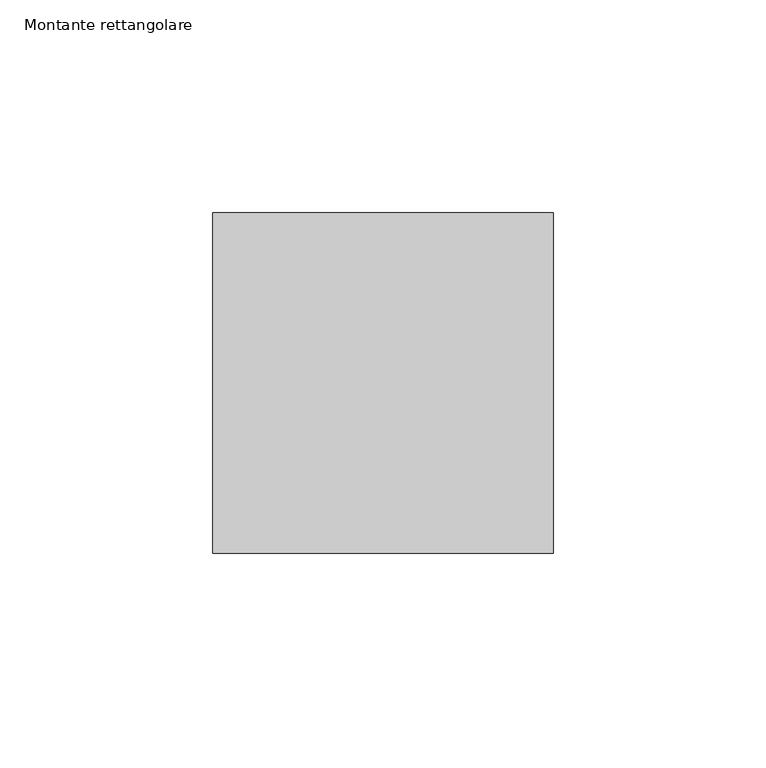
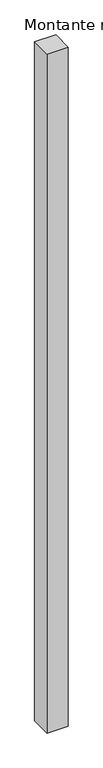
"""IFC4 building model written with IfcOpenShell, lengths in millimetres: member geometry, Montante rettangolare."""

from ifc_helpers import new_model, si_unit, frame, origin, place, context, project, spatial, polyline, outline, extrude, source, transform, mapped, element, save


def montante_rettangolare_7d9b351a(model_context):
    return source(origin(), model_context, "Body", "SweptSolid", [
        extrude(outline(polyline([(0.0, 40.0), (0.0, -40.0), (-80.0, -40.0), (-80.0, 40.0), (0.0, 40.0)])), frame((0.0, 0.0, -2700.0), z_axis=(0.0, 0.0, 1.0), x_axis=(1.0, 0.0, 0.0)), (0.0, 0.0, 1.0), 2700.0),
    ])


if __name__ == "__main__":
    model = new_model("IFC4")
    model_context = context("Model", 3, world=origin())
    ifc_project = project(units=[si_unit("LENGTHUNIT", "METRE", prefix="MILLI")], contexts=[model_context])
    site = spatial("IfcSite", under=ifc_project)
    building = spatial("IfcBuilding", under=site)
    placement = place(None, origin())
    montante_rettangolare_shape = montante_rettangolare_7d9b351a(model_context)
    element("IfcMember", 1, ObjectType="Montante rettangolare", at=placement, inside=building, context=model_context, shape_type="MappedRepresentation", body=[
        mapped(montante_rettangolare_shape, transform((0.0, 0.0, 0.0), x_axis=(1.0, 0.0, 0.0), y_axis=(0.0, 1.0, 0.0), z_axis=(0.0, 0.0, 1.0))),
    ])
    save(model, "model.ifc")
